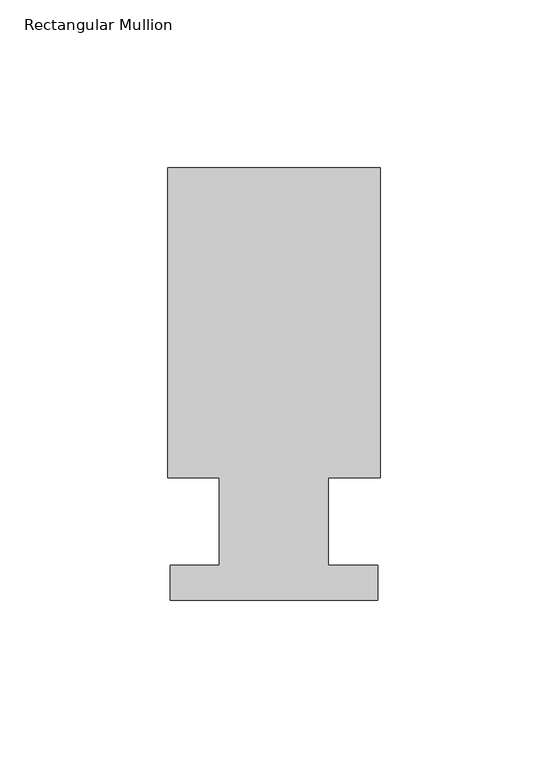
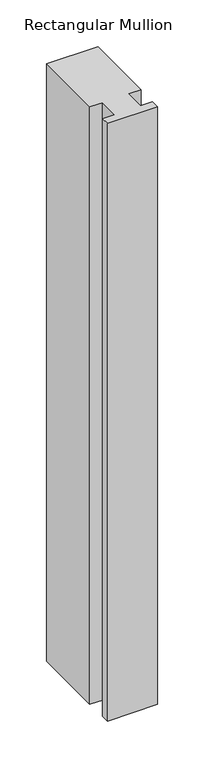
"""IFC4 building model written with IfcOpenShell, lengths in millimetres: member geometry, Rectangular Mullion."""

from ifc_helpers import new_model, si_unit, frame, origin, place, context, project, spatial, polyline, outline, extrude, source, transform, mapped, element, save


def rectangular_mullion_927a60e4(model_context):
    return source(origin(), model_context, "Body", "SweptSolid", [
        extrude(outline(polyline([(31.75, 126.9888875), (31.75, 34.3296875), (16.2687, 34.3296875), (16.2687, 8.3454875), (30.988, 8.3454875), (30.988, -2.0939125), (-30.988, -2.0939125), (-30.988, 8.3454875), (-16.2687, 8.3454875), (-16.2687, 34.3296875), (-31.75, 34.3296875), (-31.75, 126.9888875), (31.75, 126.9888875)])), frame((0.0, 0.0, -781.05), z_axis=(0.0, 0.0, 1.0), x_axis=(1.0, 0.0, 0.0)), (0.0, 0.0, 1.0), 781.05),
    ])


if __name__ == "__main__":
    model = new_model("IFC4")
    model_context = context("Model", 3, world=origin())
    ifc_project = project(units=[si_unit("LENGTHUNIT", "METRE", prefix="MILLI")], contexts=[model_context])
    site = spatial("IfcSite", under=ifc_project)
    building = spatial("IfcBuilding", under=site)
    placement = place(None, origin())
    rectangular_mullion_shape = rectangular_mullion_927a60e4(model_context)
    element("IfcMember", 1, ObjectType="Rectangular Mullion", at=placement, inside=building, context=model_context, shape_type="MappedRepresentation", body=[
        mapped(rectangular_mullion_shape, transform((0.0, 0.0, 0.0), x_axis=(1.0, 0.0, 0.0), y_axis=(0.0, 1.0, 0.0), z_axis=(0.0, 0.0, 1.0))),
    ])
    save(model, "model.ifc")
